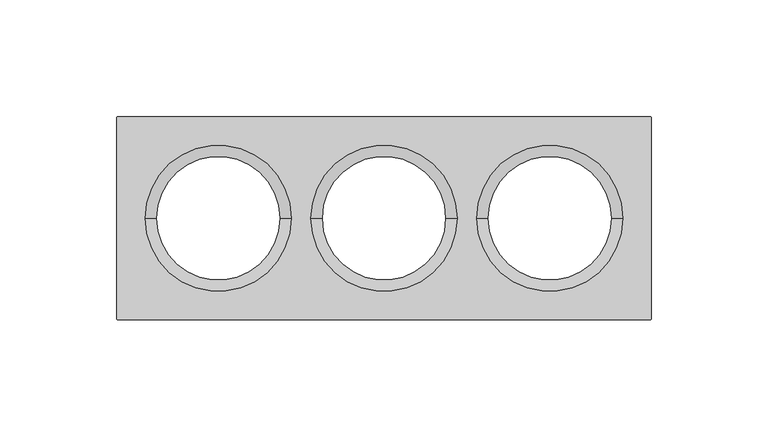
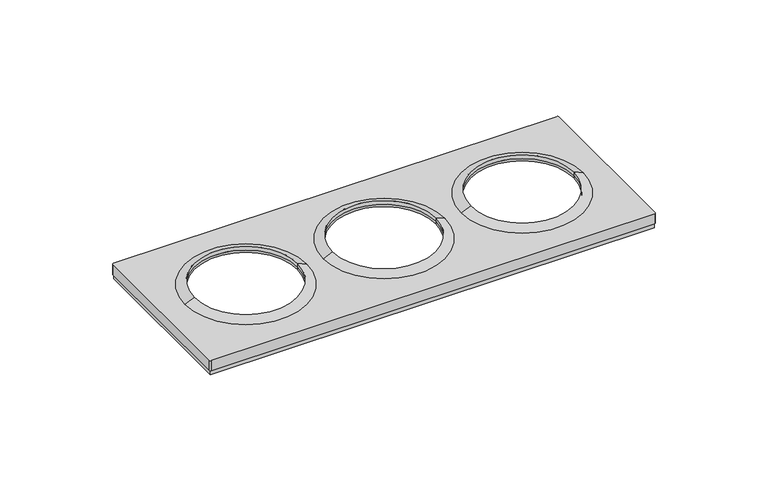
"""IFC4 building model written with IfcOpenShell, lengths in millimetres: proxy geometry."""

from ifc_helpers import new_model, si_unit, frame, origin, place, context, project, spatial, polyline, circle_curve, source, transform, mapped, element, save
from ifc_brep_helpers import plane_surface, cylinder_surface, revolved_surface, advanced_brep


def electrical_fixtures_a8be4bb7(model_context):
    return source(origin(), model_context, "Body", "AdvancedBrep", [
        advanced_brep(
        [(-114.0, -43.0, 0.0), (-114.0, 43.0, 0.0), (114.0, 43.0, 0.0), (114.0, -43.0, 0.0), (-113.5, -42.5, 0.0), (113.5, -42.5, 0.0), (113.5, 42.5, 0.0), (-113.5, 42.5, 0.0), (114.0, -43.0, 2.5), (-114.0, -43.0, 2.5), (114.0, 43.0, 2.5), (-114.0, 43.0, 2.5), (-44.5, 0.0, 6.7956384), (-44.5, 0.0, 8.0076008), (-97.5, 0.0, 8.0076008), (-97.5, 0.0, 6.7956384), (-114.5, -42.9369707, 8.0076008), (-113.9369707, -43.5, 8.0076008), (113.9369707, -43.5, 8.0076008), (114.5, -42.9369707, 8.0076008), (114.5, 42.9369707, 8.0076008), (113.9369707, 43.5, 8.0076008), (-113.9369707, 43.5, 8.0076008), (-114.5, 42.9369707, 8.0076008), (-102.2841563, 0.0, 8.0076008), (-39.7158437, 0.0, 8.0076008), (-31.2841563, 0.0, 8.0076008), (31.2841563, 0.0, 8.0076008), (39.7158437, 0.0, 8.0076008), (102.2841563, 0.0, 8.0076008), (-114.5, -42.9369707, 2.5), (-114.5, 42.9369707, 2.5), (-113.9369707, 43.5, 2.5), (113.9369707, 43.5, 2.5), (114.5, 42.9369707, 2.5), (114.5, -42.9369707, 2.5), (113.9369707, -43.5, 2.5), (-113.9369707, -43.5, 2.5), (-97.5, 0.0, 10.1), (-44.5, 0.0, 10.1), (113.5, 42.5, 6.7956384), (113.5, -42.5, 6.7956384), (-113.5, -42.5, 6.7956384), (-113.5, 42.5, 6.7956384), (26.5, 0.0, 6.7956384), (-26.5, 0.0, 6.7956384), (97.5, 0.0, 6.7956384), (44.5, 0.0, 6.7956384), (26.5, 0.0, 8.0076008), (-26.5, 0.0, 8.0076008), (97.5, 0.0, 8.0076008), (44.5, 0.0, 8.0076008), (-26.5, 0.0, 10.1), (26.5, 0.0, 10.1), (44.5, 0.0, 10.1), (97.5, 0.0, 10.1)],
        [
            (0, 1),
            (1, 2),
            (2, 3),
            (3, 0),
            (4, 5),
            (5, 6),
            (6, 7),
            (7, 4),
            (3, 8),
            (8, 9),
            (9, 0),
            (2, 10),
            (10, 8),
            (1, 11),
            (11, 10),
            (9, 11),
            (12, 13),
            (13, 14, circle_curve(frame((-71.0, 0.0, 8.0076008), z_axis=(0.0, 0.0, 1.0), x_axis=(-1.0, 0.0, 0.0)), 26.5)),
            (14, 15),
            (15, 12, circle_curve(frame((-71.0, 0.0, 6.7956384), z_axis=(0.0, 0.0, -1.0), x_axis=(-1.0, 0.0, 0.0)), 26.5)),
            (12, 15, circle_curve(frame((-71.0, 0.0, 6.7956384), z_axis=(0.0, 0.0, -1.0), x_axis=(-1.0, 0.0, 0.0)), 26.5)),
            (14, 13, circle_curve(frame((-71.0, 0.0, 8.0076008), z_axis=(0.0, 0.0, 1.0), x_axis=(-1.0, 0.0, 0.0)), 26.5)),
            (16, 17, circle_curve(frame((-113.9369707, -42.9369707, 8.0076008), z_axis=(0.0, 0.0, 1.0), x_axis=(1.0, 0.0, 0.0)), 0.5630293)),
            (17, 18),
            (18, 19, circle_curve(frame((113.9369707, -42.9369707, 8.0076008), z_axis=(0.0, 0.0, 1.0), x_axis=(-1.0, 0.0, 0.0)), 0.5630293)),
            (19, 20),
            (20, 21, circle_curve(frame((113.9369707, 42.9369707, 8.0076008), z_axis=(0.0, 0.0, 1.0), x_axis=(-1.0, 0.0, 0.0)), 0.5630293)),
            (21, 22),
            (22, 23, circle_curve(frame((-113.9369707, 42.9369707, 8.0076008), z_axis=(0.0, 0.0, 1.0), x_axis=(1.0, 0.0, 0.0)), 0.5630293)),
            (23, 16),
            (24, 25, circle_curve(frame((-71.0, 0.0, 8.0076008), z_axis=(0.0, 0.0, -1.0), x_axis=(-1.0, 0.0, 0.0)), 31.2841563)),
            (25, 24, circle_curve(frame((-71.0, 0.0, 8.0076008), z_axis=(0.0, 0.0, -1.0), x_axis=(-1.0, 0.0, 0.0)), 31.2841563)),
            (26, 27, circle_curve(frame((0.0, 0.0, 8.0076008), z_axis=(0.0, 0.0, -1.0), x_axis=(-1.0, 0.0, 0.0)), 31.2841563)),
            (27, 26, circle_curve(frame((0.0, 0.0, 8.0076008), z_axis=(0.0, 0.0, -1.0), x_axis=(-1.0, 0.0, 0.0)), 31.2841563)),
            (28, 29, circle_curve(frame((71.0, 0.0, 8.0076008), z_axis=(0.0, 0.0, -1.0), x_axis=(-1.0, 0.0, 0.0)), 31.2841563)),
            (29, 28, circle_curve(frame((71.0, 0.0, 8.0076008), z_axis=(0.0, 0.0, -1.0), x_axis=(-1.0, 0.0, 0.0)), 31.2841563)),
            (30, 31),
            (31, 32, circle_curve(frame((-113.9369707, 42.9369707, 2.5), z_axis=(0.0, 0.0, -1.0), x_axis=(1.0, 0.0, 0.0)), 0.5630293)),
            (32, 33),
            (33, 34, circle_curve(frame((113.9369707, 42.9369707, 2.5), z_axis=(0.0, 0.0, -1.0), x_axis=(-1.0, 0.0, 0.0)), 0.5630293)),
            (34, 35),
            (35, 36, circle_curve(frame((113.9369707, -42.9369707, 2.5), z_axis=(0.0, 0.0, -1.0), x_axis=(-1.0, 0.0, 0.0)), 0.5630293)),
            (36, 37),
            (37, 30, circle_curve(frame((-113.9369707, -42.9369707, 2.5), z_axis=(0.0, 0.0, -1.0), x_axis=(1.0, 0.0, 0.0)), 0.5630293)),
            (16, 30),
            (37, 17),
            (36, 18),
            (35, 19),
            (34, 20),
            (33, 21),
            (32, 22),
            (31, 23),
            (24, 38),
            (38, 39, circle_curve(frame((-71.0, 0.0, 10.1), z_axis=(0.0, 0.0, -1.0), x_axis=(-1.0, 0.0, 0.0)), 26.5)),
            (39, 25),
            (39, 38, circle_curve(frame((-71.0, 0.0, 10.1), z_axis=(0.0, 0.0, -1.0), x_axis=(-1.0, 0.0, 0.0)), 26.5)),
            (38, 14),
            (13, 39),
            (40, 41),
            (41, 42),
            (42, 43),
            (43, 40),
            (44, 45, circle_curve(frame((0.0, 0.0, 6.7956384), z_axis=(0.0, 0.0, 1.0), x_axis=(-1.0, 0.0, 0.0)), 26.5)),
            (45, 44, circle_curve(frame((0.0, 0.0, 6.7956384), z_axis=(0.0, 0.0, 1.0), x_axis=(-1.0, 0.0, 0.0)), 26.5)),
            (46, 47, circle_curve(frame((71.0, 0.0, 6.7956384), z_axis=(0.0, 0.0, 1.0), x_axis=(-1.0, 0.0, 0.0)), 26.5)),
            (47, 46, circle_curve(frame((71.0, 0.0, 6.7956384), z_axis=(0.0, 0.0, 1.0), x_axis=(-1.0, 0.0, 0.0)), 26.5)),
            (43, 7),
            (6, 40),
            (42, 4),
            (41, 5),
            (44, 48),
            (48, 49, circle_curve(frame((0.0, 0.0, 8.0076008), z_axis=(0.0, 0.0, 1.0), x_axis=(-1.0, 0.0, 0.0)), 26.5)),
            (49, 45),
            (49, 48, circle_curve(frame((0.0, 0.0, 8.0076008), z_axis=(0.0, 0.0, 1.0), x_axis=(-1.0, 0.0, 0.0)), 26.5)),
            (46, 50),
            (50, 51, circle_curve(frame((71.0, 0.0, 8.0076008), z_axis=(0.0, 0.0, 1.0), x_axis=(-1.0, 0.0, 0.0)), 26.5)),
            (51, 47),
            (51, 50, circle_curve(frame((71.0, 0.0, 8.0076008), z_axis=(0.0, 0.0, 1.0), x_axis=(-1.0, 0.0, 0.0)), 26.5)),
            (26, 52),
            (52, 53, circle_curve(frame((0.0, 0.0, 10.1), z_axis=(0.0, 0.0, -1.0), x_axis=(-1.0, 0.0, 0.0)), 26.5)),
            (53, 27),
            (53, 52, circle_curve(frame((0.0, 0.0, 10.1), z_axis=(0.0, 0.0, -1.0), x_axis=(-1.0, 0.0, 0.0)), 26.5)),
            (52, 49),
            (48, 53),
            (28, 54),
            (54, 55, circle_curve(frame((71.0, 0.0, 10.1), z_axis=(0.0, 0.0, -1.0), x_axis=(-1.0, 0.0, 0.0)), 26.5)),
            (55, 29),
            (55, 54, circle_curve(frame((71.0, 0.0, 10.1), z_axis=(0.0, 0.0, -1.0), x_axis=(-1.0, 0.0, 0.0)), 26.5)),
            (54, 51),
            (50, 55),
        ],
        [
            plane_surface(frame((-43.0003046, -43.0, 0.0), z_axis=(0.0, 0.0, -1.0), x_axis=(-1.0, 0.0, 0.0))),
            plane_surface(frame((-114.0, -43.0, 2.5), z_axis=(0.0, -1.0, 0.0), x_axis=(0.0, 0.0, -1.0))),
            plane_surface(frame((114.0, -43.0, 2.5), z_axis=(1.0, 0.0, 0.0), x_axis=(0.0, 0.0, -1.0))),
            plane_surface(frame((114.0, 43.0, 2.5), z_axis=(0.0, 1.0, 0.0), x_axis=(0.0, 0.0, -1.0))),
            plane_surface(frame((-114.0, 43.0, 2.5), z_axis=(-1.0, 0.0, 0.0), x_axis=(0.0, 0.0, -1.0))),
            revolved_surface(polyline([(-97.5, 0.0, 8.0076008), (-97.5, 0.0, 6.7956384)]), (-71.0, 0.0, 0.0), (0.0, 0.0, 1.0)),
            plane_surface(frame((-113.3739414, -42.9369707, 8.0076008), z_axis=(0.0, 0.0, 1.0), x_axis=(0.0, 1.0, 0.0))),
            plane_surface(frame((-113.3739414, -42.9369707, 2.5), z_axis=(0.0, 0.0, -1.0), x_axis=(0.0, -1.0, 0.0))),
            cylinder_surface(frame((-113.9369707, -42.9369707, 2.5), z_axis=(0.0, 0.0, 1.0), x_axis=(1.0, 0.0, 0.0)), 0.5630293),
            plane_surface(frame((-113.9369707, -43.5, 8.0076008), z_axis=(0.0, -1.0, 0.0), x_axis=(0.0, 0.0, -1.0))),
            cylinder_surface(frame((113.9369707, -42.9369707, 2.5), z_axis=(0.0, 0.0, 1.0), x_axis=(-1.0, 0.0, 0.0)), 0.5630293),
            plane_surface(frame((114.5, -42.9369707, 8.0076008), z_axis=(1.0, 0.0, 0.0), x_axis=(0.0, 0.0, -1.0))),
            cylinder_surface(frame((113.9369707, 42.9369707, 2.5), z_axis=(0.0, 0.0, 1.0), x_axis=(-1.0, 0.0, 0.0)), 0.5630293),
            plane_surface(frame((113.9369707, 43.5, 8.0076008), z_axis=(0.0, 1.0, 0.0), x_axis=(0.0, 0.0, -1.0))),
            cylinder_surface(frame((-113.9369707, 42.9369707, 2.5), z_axis=(0.0, 0.0, 1.0), x_axis=(1.0, 0.0, 0.0)), 0.5630293),
            plane_surface(frame((-114.5, 42.9369707, 8.0076008), z_axis=(-1.0, 0.0, 0.0), x_axis=(0.0, 0.0, -1.0))),
            revolved_surface(polyline([(-97.5, 0.0, 10.1), (-102.2841563, 0.0, 8.0076008)]), (-71.0, 0.0, 2609.0581012), (0.0, 0.0, -1.0)),
            revolved_surface(polyline([(-97.5, 0.0, 8.007600800000091), (-97.5, 0.0, 10.099999999999909)]), (-71.0, 0.0, 2609.0581012), (0.0, 0.0, -1.0)),
            plane_surface(frame((-42.5, 42.5, 6.7956384), z_axis=(0.0, 0.0, -1.0), x_axis=(-1.0, 0.0, 0.0))),
            plane_surface(frame((113.5, 42.5, 6.7956384), z_axis=(0.0, -1.0, 0.0), x_axis=(0.0, 0.0, -1.0))),
            plane_surface(frame((-113.5, 42.5, 6.7956384), z_axis=(1.0, 0.0, 0.0), x_axis=(0.0, 0.0, -1.0))),
            plane_surface(frame((-113.5, -42.5, 6.7956384), z_axis=(0.0, 1.0, 0.0), x_axis=(0.0, 0.0, -1.0))),
            plane_surface(frame((113.5, -42.5, 6.7956384), z_axis=(-1.0, 0.0, 0.0), x_axis=(0.0, 0.0, -1.0))),
            revolved_surface(polyline([(-26.5, 0.0, 8.0076008), (-26.5, 0.0, 6.7956384)]), (0.0, 0.0, 0.0), (0.0, 0.0, 1.0)),
            revolved_surface(polyline([(44.5, 0.0, 8.0076008), (44.5, 0.0, 6.7956384)]), (71.0, 0.0, 0.0), (0.0, 0.0, 1.0)),
            revolved_surface(polyline([(-26.5, 0.0, 10.1), (-31.2841563, 0.0, 8.0076008)]), (0.0, 0.0, 2609.0581012), (0.0, 0.0, -1.0)),
            revolved_surface(polyline([(-26.5, 0.0, 8.007600800000091), (-26.5, 0.0, 10.099999999999909)]), (0.0, 0.0, 2609.0581012), (0.0, 0.0, -1.0)),
            revolved_surface(polyline([(44.5, 0.0, 10.1), (39.7158437, 0.0, 8.0076008)]), (71.0, 0.0, 2609.0581012), (0.0, 0.0, -1.0)),
            revolved_surface(polyline([(44.5, 0.0, 8.007600800000091), (44.5, 0.0, 10.099999999999909)]), (71.0, 0.0, 2609.0581012), (0.0, 0.0, -1.0)),
        ],
        [
            (0, [[1, 2, 3, 4], [5, 6, 7, 8]]),
            (1, [[-4, 9, 10, 11]]),
            (2, [[-3, 12, 13, -9]]),
            (3, [[-2, 14, 15, -12]]),
            (4, [[-1, -11, 16, -14]]),
            (5, [[17, 18, 19, 20]]),
            (5, [[-17, 21, -19, 22]]),
            (6, [[23, 24, 25, 26, 27, 28, 29, 30], [31, 32], [33, 34], [35, 36]]),
            (7, [[37, 38, 39, 40, 41, 42, 43, 44], [-10, -13, -15, -16]]),
            (8, [[-23, 45, -44, 46]]),
            (9, [[-24, -46, -43, 47]]),
            (10, [[-25, -47, -42, 48]]),
            (11, [[-26, -48, -41, 49]]),
            (12, [[-27, -49, -40, 50]]),
            (13, [[-28, -50, -39, 51]]),
            (14, [[-29, -51, -38, 52]]),
            (15, [[-30, -52, -37, -45]]),
            (16, [[53, 54, 55, -31]]),
            (16, [[-53, -32, -55, 56]]),
            (17, [[-54, 57, -18, 58]]),
            (17, [[-56, -58, -22, -57]]),
            (18, [[59, 60, 61, 62], [-20, -21], [63, 64], [65, 66]]),
            (19, [[-62, 67, -7, 68]]),
            (20, [[-61, 69, -8, -67]]),
            (21, [[-60, 70, -5, -69]]),
            (22, [[-59, -68, -6, -70]]),
            (23, [[71, 72, 73, -63]]),
            (23, [[-71, -64, -73, 74]]),
            (24, [[75, 76, 77, -65]]),
            (24, [[-75, -66, -77, 78]]),
            (25, [[79, 80, 81, -33]]),
            (25, [[-79, -34, -81, 82]]),
            (26, [[-80, 83, -72, 84]]),
            (26, [[-82, -84, -74, -83]]),
            (27, [[85, 86, 87, -35]]),
            (27, [[-85, -36, -87, 88]]),
            (28, [[-86, 89, -76, 90]]),
            (28, [[-88, -90, -78, -89]]),
        ],
    ),
    ])


if __name__ == "__main__":
    model = new_model("IFC4")
    model_context = context("Model", 3, world=origin())
    ifc_project = project(units=[si_unit("LENGTHUNIT", "METRE", prefix="MILLI")], contexts=[model_context])
    site = spatial("IfcSite", under=ifc_project)
    building = spatial("IfcBuilding", under=site)
    placement = place(None, origin())
    electrical_fixtures_shape = electrical_fixtures_a8be4bb7(model_context)
    element("IfcBuildingElementProxy", 1, Name="Electrical Fixtures", at=placement, inside=building, context=model_context, shape_type="MappedRepresentation", body=[
        mapped(electrical_fixtures_shape, transform((0.0, 0.0, 0.0), x_axis=(1.0, 0.0, 0.0), y_axis=(0.0, 1.0, 0.0), z_axis=(0.0, 0.0, 1.0))),
    ])
    save(model, "model.ifc")
